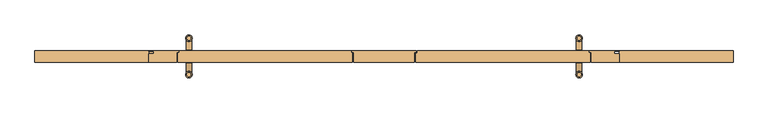
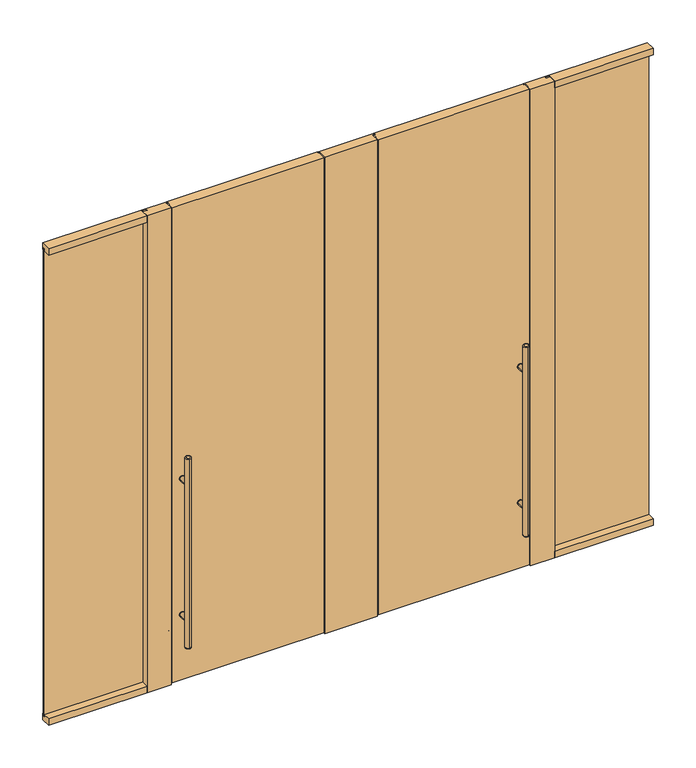
"""IFC4 building model written with IfcOpenShell, lengths in millimetres: door geometry."""

from ifc_helpers import new_model, si_unit, point, frame, frame_2d, origin, origin_with_axes, place, context, project, spatial, polyline, circle_curve, ellipse_curve, trimmed, segment, composite_curve, outline, extrude, faceted_brep, source, transform, mapped, element, save
from ifc_brep_helpers import plane_surface, cylinder_surface, revolved_surface, advanced_brep


def door_a71b5ffa(model_context):
    return source(origin(), model_context, "Body", "SolidModel", [
        extrude(outline(composite_curve([segment(trimmed(circle_curve(frame_2d((428.625, 1022.35)), 15.875), [point((428.625, 1038.225))], [point((428.625, 1006.475))], False, "CARTESIAN"), True, "CONTINUOUS"), segment(trimmed(circle_curve(frame_2d((428.625, 1022.35)), 15.875), [point((428.625, 1006.475))], [point((428.625, 1038.225))], False, "CARTESIAN"), True, "CONTINUOUS")], self_intersect=False)), frame((0.0, 30.1625, 0.0), z_axis=(0.0, 1.0, 0.0), x_axis=(0.0, 0.0, 1.0)), (0.0, 0.0, 1.0), 3.175),
        extrude(outline(composite_curve([segment(trimmed(circle_curve(frame_2d((1298.575, 1022.35)), 15.875), [point((1298.575, 1006.475))], [point((1298.575, 1038.225))], False, "CARTESIAN"), True, "CONTINUOUS"), segment(trimmed(circle_curve(frame_2d((1298.575, 1022.35)), 15.875), [point((1298.575, 1038.225))], [point((1298.575, 1006.475))], False, "CARTESIAN"), True, "CONTINUOUS")], self_intersect=False)), frame((0.0, 30.1625, 0.0), z_axis=(0.0, 1.0, 0.0), x_axis=(0.0, 0.0, 1.0)), (0.0, 0.0, 1.0), 3.175),
        extrude(outline(composite_curve([segment(trimmed(circle_curve(frame_2d((428.625, 1022.35)), 15.875), [point((428.625, 1038.225))], [point((428.625, 1006.475))], False, "CARTESIAN"), True, "CONTINUOUS"), segment(trimmed(circle_curve(frame_2d((428.625, 1022.35)), 15.875), [point((428.625, 1006.475))], [point((428.625, 1038.225))], False, "CARTESIAN"), True, "CONTINUOUS")], self_intersect=False)), frame((0.0, -33.3375, 0.0), z_axis=(0.0, 1.0, 0.0), x_axis=(0.0, 0.0, 1.0)), (0.0, 0.0, 1.0), 3.175),
        extrude(outline(composite_curve([segment(trimmed(circle_curve(frame_2d((1298.575, 1022.35)), 15.875), [point((1298.575, 1038.225))], [point((1298.575, 1006.475))], False, "CARTESIAN"), True, "CONTINUOUS"), segment(trimmed(circle_curve(frame_2d((1298.575, 1022.35)), 15.875), [point((1298.575, 1006.475))], [point((1298.575, 1038.225))], False, "CARTESIAN"), True, "CONTINUOUS")], self_intersect=False)), frame((0.0, -33.3375, 0.0), z_axis=(0.0, 1.0, 0.0), x_axis=(0.0, 0.0, 1.0)), (0.0, 0.0, 1.0), 3.175),
        extrude(outline(composite_curve([segment(trimmed(circle_curve(frame_2d((428.625, 1022.35)), 14.2875), [point((428.625, 1008.0625))], [point((428.625, 1036.6375))], False, "CARTESIAN"), True, "CONTINUOUS"), segment(trimmed(circle_curve(frame_2d((428.625, 1022.35)), 14.2875), [point((428.625, 1036.6375))], [point((428.625, 1008.0625))], False, "CARTESIAN"), True, "CONTINUOUS")], self_intersect=False)), frame((0.0, -95.25, 0.0), z_axis=(0.0, 1.0, 0.0), x_axis=(0.0, 0.0, 1.0)), (0.0, 0.0, 1.0), 65.0875),
        extrude(outline(composite_curve([segment(trimmed(circle_curve(frame_2d((1298.575, 1022.35)), 14.2875), [point((1298.575, 1008.0625))], [point((1298.575, 1036.6375))], False, "CARTESIAN"), True, "CONTINUOUS"), segment(trimmed(circle_curve(frame_2d((1298.575, 1022.35)), 14.2875), [point((1298.575, 1036.6375))], [point((1298.575, 1008.0625))], False, "CARTESIAN"), True, "CONTINUOUS")], self_intersect=False)), frame((0.0, -95.25, 0.0), z_axis=(0.0, 1.0, 0.0), x_axis=(0.0, 0.0, 1.0)), (0.0, 0.0, 1.0), 65.0875),
        advanced_brep(
        [(1022.35, 84.455, 1473.2), (1022.35, 106.045, 1473.2), (1022.35, 106.045, 254.0), (1022.35, 84.455, 254.0), (1022.35, 112.395, 260.35), (1022.35, 78.105, 260.35), (1022.35, 78.105, 1466.85), (1022.35, 112.395, 1466.85)],
        [
            (0, 1, circle_curve(frame((1022.35, 95.25, 1473.2), z_axis=(0.0, 0.0, 1.0), x_axis=(0.0, -1.0, 0.0)), 10.795)),
            (1, 0, circle_curve(frame((1022.35, 95.25, 1473.2), z_axis=(0.0, 0.0, 1.0), x_axis=(0.0, -1.0, 0.0)), 10.795)),
            (2, 3, circle_curve(frame((1022.35, 95.25, 254.0), z_axis=(0.0, 0.0, -1.0), x_axis=(0.0, -1.0, 0.0)), 10.795)),
            (3, 2, circle_curve(frame((1022.35, 95.25, 254.0), z_axis=(0.0, 0.0, -1.0), x_axis=(0.0, -1.0, 0.0)), 10.795)),
            (4, 5, circle_curve(frame((1022.35, 95.25, 260.35), z_axis=(0.0, 0.0, 1.0), x_axis=(0.0, -1.0, 0.0)), 17.145)),
            (5, 6),
            (6, 7, circle_curve(frame((1022.35, 95.25, 1466.85), z_axis=(0.0, 0.0, -1.0), x_axis=(0.0, -1.0, 0.0)), 17.145)),
            (7, 4),
            (5, 4, circle_curve(frame((1022.35, 95.25, 260.35), z_axis=(0.0, 0.0, 1.0), x_axis=(0.0, -1.0, 0.0)), 17.145)),
            (7, 6, circle_curve(frame((1022.35, 95.25, 1466.85), z_axis=(0.0, 0.0, -1.0), x_axis=(0.0, -1.0, 0.0)), 17.145)),
            (2, 4, circle_curve(frame((1022.35, 106.045, 260.35), z_axis=(1.0, 0.0, 0.0), x_axis=(0.0, 1.0, 0.0)), 6.35)),
            (5, 3, circle_curve(frame((1022.35, 84.455, 260.35), z_axis=(1.0, 0.0, 0.0), x_axis=(0.0, -1.0, 0.0)), 6.35)),
            (7, 1, circle_curve(frame((1022.35, 106.045, 1466.85), z_axis=(1.0, 0.0, 0.0), x_axis=(0.0, 1.0, 0.0)), 6.35)),
            (0, 6, circle_curve(frame((1022.35, 84.455, 1466.85), z_axis=(1.0, 0.0, 0.0), x_axis=(0.0, -1.0, 0.0)), 6.35)),
        ],
        [
            plane_surface(frame((1022.35, -112.395, 1473.2), z_axis=(0.0, 0.0, 1.0), x_axis=(1.0, 0.0, 0.0))),
            plane_surface(frame((1022.35, -112.395, 254.0), z_axis=(0.0, 0.0, -1.0), x_axis=(-1.0, 0.0, 0.0))),
            cylinder_surface(frame((1022.35, 95.25, 254.0), z_axis=(0.0, 0.0, 1.0), x_axis=(0.0, -1.0, 0.0)), 17.145),
            revolved_surface(trimmed(ellipse_curve(frame((1022.35, 84.455, 260.35), z_axis=(-1.0, 0.0, 0.0), x_axis=(0.0, -1.0, 0.0)), 6.35, 6.35), [point((1022.35, 84.455, 254.0))], [point((1022.35, 78.105, 260.35))], True, "CARTESIAN"), (1022.35, 95.25, 2082.8), (0.0, 0.0, 1.0)),
            revolved_surface(trimmed(ellipse_curve(frame((1022.35, 84.455, 1466.85), z_axis=(-1.0, 0.0, 0.0), x_axis=(0.0, -1.0, 0.0)), 6.35, 6.35), [point((1022.35, 78.105, 1466.85))], [point((1022.35, 84.455, 1473.2))], True, "CARTESIAN"), (1022.35, 95.25, -355.6), (0.0, 0.0, 1.0)),
        ],
        [
            (0, [[1, 2]]),
            (1, [[3, 4]]),
            (2, [[5, 6, 7, 8]]),
            (2, [[9, -8, 10, -6]]),
            (3, [[11, -9, 12, -3]]),
            (3, [[-11, -4, -12, -5]]),
            (4, [[13, -1, 14, -10]]),
            (4, [[-13, -7, -14, -2]]),
        ],
    ),
        advanced_brep(
        [(1022.35, -106.045, 1473.2), (1022.35, -84.455, 1473.2), (1022.35, -84.455, 254.0), (1022.35, -106.045, 254.0), (1022.35, -78.105, 260.35), (1022.35, -112.395, 260.35), (1022.35, -112.395, 1466.85), (1022.35, -78.105, 1466.85)],
        [
            (0, 1, circle_curve(frame((1022.35, -95.25, 1473.2), z_axis=(0.0, 0.0, 1.0), x_axis=(0.0, 1.0, 0.0)), 10.795)),
            (1, 0, circle_curve(frame((1022.35, -95.25, 1473.2), z_axis=(0.0, 0.0, 1.0), x_axis=(0.0, 1.0, 0.0)), 10.795)),
            (2, 3, circle_curve(frame((1022.35, -95.25, 254.0), z_axis=(0.0, 0.0, -1.0), x_axis=(0.0, 1.0, 0.0)), 10.795)),
            (3, 2, circle_curve(frame((1022.35, -95.25, 254.0), z_axis=(0.0, 0.0, -1.0), x_axis=(0.0, 1.0, 0.0)), 10.795)),
            (4, 5, circle_curve(frame((1022.35, -95.25, 260.35), z_axis=(0.0, 0.0, 1.0), x_axis=(0.0, -1.0, 0.0)), 17.145)),
            (5, 6),
            (6, 7, circle_curve(frame((1022.35, -95.25, 1466.85), z_axis=(0.0, 0.0, -1.0), x_axis=(0.0, -1.0, 0.0)), 17.145)),
            (7, 4),
            (5, 4, circle_curve(frame((1022.35, -95.25, 260.35), z_axis=(0.0, 0.0, 1.0), x_axis=(0.0, -1.0, 0.0)), 17.145)),
            (7, 6, circle_curve(frame((1022.35, -95.25, 1466.85), z_axis=(0.0, 0.0, -1.0), x_axis=(0.0, -1.0, 0.0)), 17.145)),
            (5, 3, circle_curve(frame((1022.35, -106.045, 260.35), z_axis=(1.0, 0.0, 0.0), x_axis=(0.0, -1.0, 0.0)), 6.35)),
            (2, 4, circle_curve(frame((1022.35, -84.455, 260.35), z_axis=(1.0, 0.0, 0.0), x_axis=(0.0, 1.0, 0.0)), 6.35)),
            (0, 6, circle_curve(frame((1022.35, -106.045, 1466.85), z_axis=(1.0, 0.0, 0.0), x_axis=(0.0, -1.0, 0.0)), 6.35)),
            (7, 1, circle_curve(frame((1022.35, -84.455, 1466.85), z_axis=(1.0, 0.0, 0.0), x_axis=(0.0, 1.0, 0.0)), 6.35)),
        ],
        [
            plane_surface(frame((1022.35, -112.395, 1473.2), z_axis=(0.0, 0.0, 1.0), x_axis=(1.0, 0.0, 0.0))),
            plane_surface(frame((1022.35, -112.395, 254.0), z_axis=(0.0, 0.0, -1.0), x_axis=(-1.0, 0.0, 0.0))),
            cylinder_surface(frame((1022.35, -95.25, 254.0), z_axis=(0.0, 0.0, 1.0), x_axis=(0.0, -1.0, 0.0)), 17.145),
            revolved_surface(trimmed(ellipse_curve(frame((1022.35, -84.455, 260.35), z_axis=(-1.0, 0.0, 0.0), x_axis=(0.0, 1.0, 0.0)), 6.35, 6.35), [point((1022.35, -78.105, 260.35))], [point((1022.35, -84.455, 254.0))], True, "CARTESIAN"), (1022.35, -95.25, 2082.8), (0.0, 0.0, -1.0)),
            revolved_surface(trimmed(ellipse_curve(frame((1022.35, -84.455, 1466.85), z_axis=(-1.0, 0.0, 0.0), x_axis=(0.0, 1.0, 0.0)), 6.35, 6.35), [point((1022.35, -84.455, 1473.2))], [point((1022.35, -78.105, 1466.85))], True, "CARTESIAN"), (1022.35, -95.25, -355.6), (0.0, 0.0, -1.0)),
        ],
        [
            (0, [[1, 2]]),
            (1, [[3, 4]]),
            (2, [[5, 6, 7, 8]]),
            (2, [[9, -8, 10, -6]]),
            (3, [[11, -3, 12, -9]]),
            (3, [[-11, -5, -12, -4]]),
            (4, [[13, -10, 14, -1]]),
            (4, [[-13, -2, -14, -7]]),
        ],
    ),
        extrude(outline(composite_curve([segment(trimmed(circle_curve(frame_2d((428.625, 1022.35)), 14.2875), [point((428.625, 1008.0625))], [point((428.625, 1036.6375))], False, "CARTESIAN"), True, "CONTINUOUS"), segment(trimmed(circle_curve(frame_2d((428.625, 1022.35)), 14.2875), [point((428.625, 1036.6375))], [point((428.625, 1008.0625))], False, "CARTESIAN"), True, "CONTINUOUS")], self_intersect=False)), frame((0.0, 30.1625, 0.0), z_axis=(0.0, 1.0, 0.0), x_axis=(0.0, 0.0, 1.0)), (0.0, 0.0, 1.0), 65.0875),
        extrude(outline(composite_curve([segment(trimmed(circle_curve(frame_2d((1298.575, 1022.35)), 14.2875), [point((1298.575, 1008.0625))], [point((1298.575, 1036.6375))], False, "CARTESIAN"), True, "CONTINUOUS"), segment(trimmed(circle_curve(frame_2d((1298.575, 1022.35)), 14.2875), [point((1298.575, 1036.6375))], [point((1298.575, 1008.0625))], False, "CARTESIAN"), True, "CONTINUOUS")], self_intersect=False)), frame((0.0, 30.1625, 0.0), z_axis=(0.0, 1.0, 0.0), x_axis=(0.0, 0.0, 1.0)), (0.0, 0.0, 1.0), 65.0875),
        extrude(outline(composite_curve([segment(trimmed(circle_curve(frame_2d((428.625, -1022.35)), 15.875), [point((428.625, -1038.225))], [point((428.625, -1006.475))], False, "CARTESIAN"), True, "CONTINUOUS"), segment(trimmed(circle_curve(frame_2d((428.625, -1022.35)), 15.875), [point((428.625, -1006.475))], [point((428.625, -1038.225))], False, "CARTESIAN"), True, "CONTINUOUS")], self_intersect=False)), frame((0.0, 30.1625, 0.0), z_axis=(0.0, 1.0, 0.0), x_axis=(0.0, 0.0, 1.0)), (0.0, 0.0, 1.0), 3.175),
        extrude(outline(composite_curve([segment(trimmed(circle_curve(frame_2d((1298.575, -1022.35)), 15.875), [point((1298.575, -1006.475))], [point((1298.575, -1038.225))], False, "CARTESIAN"), True, "CONTINUOUS"), segment(trimmed(circle_curve(frame_2d((1298.575, -1022.35)), 15.875), [point((1298.575, -1038.225))], [point((1298.575, -1006.475))], False, "CARTESIAN"), True, "CONTINUOUS")], self_intersect=False)), frame((0.0, 30.1625, 0.0), z_axis=(0.0, 1.0, 0.0), x_axis=(0.0, 0.0, 1.0)), (0.0, 0.0, 1.0), 3.175),
        extrude(outline(composite_curve([segment(trimmed(circle_curve(frame_2d((428.625, -1022.35)), 15.875), [point((428.625, -1038.225))], [point((428.625, -1006.475))], False, "CARTESIAN"), True, "CONTINUOUS"), segment(trimmed(circle_curve(frame_2d((428.625, -1022.35)), 15.875), [point((428.625, -1006.475))], [point((428.625, -1038.225))], False, "CARTESIAN"), True, "CONTINUOUS")], self_intersect=False)), frame((0.0, -33.3375, 0.0), z_axis=(0.0, 1.0, 0.0), x_axis=(0.0, 0.0, 1.0)), (0.0, 0.0, 1.0), 3.175),
        extrude(outline(composite_curve([segment(trimmed(circle_curve(frame_2d((1298.575, -1022.35)), 15.875), [point((1298.575, -1038.225))], [point((1298.575, -1006.475))], False, "CARTESIAN"), True, "CONTINUOUS"), segment(trimmed(circle_curve(frame_2d((1298.575, -1022.35)), 15.875), [point((1298.575, -1006.475))], [point((1298.575, -1038.225))], False, "CARTESIAN"), True, "CONTINUOUS")], self_intersect=False)), frame((0.0, -33.3375, 0.0), z_axis=(0.0, 1.0, 0.0), x_axis=(0.0, 0.0, 1.0)), (0.0, 0.0, 1.0), 3.175),
        extrude(outline(composite_curve([segment(trimmed(circle_curve(frame_2d((428.625, -1022.35)), 14.2875), [point((428.625, -1008.0625))], [point((428.625, -1036.6375))], False, "CARTESIAN"), True, "CONTINUOUS"), segment(trimmed(circle_curve(frame_2d((428.625, -1022.35)), 14.2875), [point((428.625, -1036.6375))], [point((428.625, -1008.0625))], False, "CARTESIAN"), True, "CONTINUOUS")], self_intersect=False)), frame((0.0, -95.25, 0.0), z_axis=(0.0, 1.0, 0.0), x_axis=(0.0, 0.0, 1.0)), (0.0, 0.0, 1.0), 65.0875),
        extrude(outline(composite_curve([segment(trimmed(circle_curve(frame_2d((1298.575, -1022.35)), 14.2875), [point((1298.575, -1008.0625))], [point((1298.575, -1036.6375))], False, "CARTESIAN"), True, "CONTINUOUS"), segment(trimmed(circle_curve(frame_2d((1298.575, -1022.35)), 14.2875), [point((1298.575, -1036.6375))], [point((1298.575, -1008.0625))], False, "CARTESIAN"), True, "CONTINUOUS")], self_intersect=False)), frame((0.0, -95.25, 0.0), z_axis=(0.0, 1.0, 0.0), x_axis=(0.0, 0.0, 1.0)), (0.0, 0.0, 1.0), 65.0875),
        advanced_brep(
        [(-1022.35, 84.455, 1473.2), (-1022.35, 106.045, 1473.2), (-1022.35, 106.045, 254.0), (-1022.35, 84.455, 254.0), (-1022.35, 112.395, 260.35), (-1022.35, 112.395, 1466.85), (-1022.35, 78.105, 1466.85), (-1022.35, 78.105, 260.35)],
        [
            (0, 1, circle_curve(frame((-1022.35, 95.25, 1473.2), z_axis=(0.0, 0.0, 1.0), x_axis=(0.0, -1.0, 0.0)), 10.795)),
            (1, 0, circle_curve(frame((-1022.35, 95.25, 1473.2), z_axis=(0.0, 0.0, 1.0), x_axis=(0.0, -1.0, 0.0)), 10.795)),
            (2, 3, circle_curve(frame((-1022.35, 95.25, 254.0), z_axis=(0.0, 0.0, -1.0), x_axis=(0.0, -1.0, 0.0)), 10.795)),
            (3, 2, circle_curve(frame((-1022.35, 95.25, 254.0), z_axis=(0.0, 0.0, -1.0), x_axis=(0.0, -1.0, 0.0)), 10.795)),
            (4, 5),
            (5, 6, circle_curve(frame((-1022.35, 95.25, 1466.85), z_axis=(0.0, 0.0, -1.0), x_axis=(0.0, -1.0, 0.0)), 17.145)),
            (6, 7),
            (7, 4, circle_curve(frame((-1022.35, 95.25, 260.35), z_axis=(0.0, 0.0, 1.0), x_axis=(0.0, -1.0, 0.0)), 17.145)),
            (6, 5, circle_curve(frame((-1022.35, 95.25, 1466.85), z_axis=(0.0, 0.0, -1.0), x_axis=(0.0, -1.0, 0.0)), 17.145)),
            (4, 7, circle_curve(frame((-1022.35, 95.25, 260.35), z_axis=(0.0, 0.0, 1.0), x_axis=(0.0, -1.0, 0.0)), 17.145)),
            (3, 7, circle_curve(frame((-1022.35, 84.455, 260.35), z_axis=(-1.0, 0.0, 0.0), x_axis=(0.0, -1.0, 0.0)), 6.35)),
            (4, 2, circle_curve(frame((-1022.35, 106.045, 260.35), z_axis=(-1.0, 0.0, 0.0), x_axis=(0.0, 1.0, 0.0)), 6.35)),
            (6, 0, circle_curve(frame((-1022.35, 84.455, 1466.85), z_axis=(-1.0, 0.0, 0.0), x_axis=(0.0, -1.0, 0.0)), 6.35)),
            (1, 5, circle_curve(frame((-1022.35, 106.045, 1466.85), z_axis=(-1.0, 0.0, 0.0), x_axis=(0.0, 1.0, 0.0)), 6.35)),
        ],
        [
            plane_surface(frame((-1022.35, -112.395, 1473.2), z_axis=(0.0, 0.0, 1.0), x_axis=(-1.0, 0.0, 0.0))),
            plane_surface(frame((-1022.35, -112.395, 254.0), z_axis=(0.0, 0.0, -1.0), x_axis=(1.0, 0.0, 0.0))),
            cylinder_surface(frame((-1022.35, 95.25, 254.0), z_axis=(0.0, 0.0, 1.0), x_axis=(0.0, -1.0, 0.0)), 17.145),
            revolved_surface(trimmed(ellipse_curve(frame((-1022.35, 84.455, 260.35), z_axis=(-1.0, 0.0, 0.0), x_axis=(0.0, -1.0, 0.0)), 6.35, 6.35), [point((-1022.35, 84.455, 254.0))], [point((-1022.35, 78.105, 260.35))], True, "CARTESIAN"), (-1022.35, 95.25, 2082.8), (0.0, 0.0, 1.0)),
            revolved_surface(trimmed(ellipse_curve(frame((-1022.35, 84.455, 1466.85), z_axis=(-1.0, 0.0, 0.0), x_axis=(0.0, -1.0, 0.0)), 6.35, 6.35), [point((-1022.35, 78.105, 1466.85))], [point((-1022.35, 84.455, 1473.2))], True, "CARTESIAN"), (-1022.35, 95.25, -355.6), (0.0, 0.0, 1.0)),
        ],
        [
            (0, [[1, 2]]),
            (1, [[3, 4]]),
            (2, [[5, 6, 7, 8]]),
            (2, [[-7, 9, -5, 10]]),
            (3, [[-4, 11, -10, 12]]),
            (3, [[-8, -11, -3, -12]]),
            (4, [[-9, 13, -2, 14]]),
            (4, [[-1, -13, -6, -14]]),
        ],
    ),
        advanced_brep(
        [(-1022.35, -106.045, 1473.2), (-1022.35, -84.455, 1473.2), (-1022.35, -84.455, 254.0), (-1022.35, -106.045, 254.0), (-1022.35, -78.105, 260.35), (-1022.35, -78.105, 1466.85), (-1022.35, -112.395, 1466.85), (-1022.35, -112.395, 260.35)],
        [
            (0, 1, circle_curve(frame((-1022.35, -95.25, 1473.2), z_axis=(0.0, 0.0, 1.0), x_axis=(0.0, 1.0, 0.0)), 10.795)),
            (1, 0, circle_curve(frame((-1022.35, -95.25, 1473.2), z_axis=(0.0, 0.0, 1.0), x_axis=(0.0, 1.0, 0.0)), 10.795)),
            (2, 3, circle_curve(frame((-1022.35, -95.25, 254.0), z_axis=(0.0, 0.0, -1.0), x_axis=(0.0, 1.0, 0.0)), 10.795)),
            (3, 2, circle_curve(frame((-1022.35, -95.25, 254.0), z_axis=(0.0, 0.0, -1.0), x_axis=(0.0, 1.0, 0.0)), 10.795)),
            (4, 5),
            (5, 6, circle_curve(frame((-1022.35, -95.25, 1466.85), z_axis=(0.0, 0.0, -1.0), x_axis=(0.0, -1.0, 0.0)), 17.145)),
            (6, 7),
            (7, 4, circle_curve(frame((-1022.35, -95.25, 260.35), z_axis=(0.0, 0.0, 1.0), x_axis=(0.0, -1.0, 0.0)), 17.145)),
            (6, 5, circle_curve(frame((-1022.35, -95.25, 1466.85), z_axis=(0.0, 0.0, -1.0), x_axis=(0.0, -1.0, 0.0)), 17.145)),
            (4, 7, circle_curve(frame((-1022.35, -95.25, 260.35), z_axis=(0.0, 0.0, 1.0), x_axis=(0.0, -1.0, 0.0)), 17.145)),
            (4, 2, circle_curve(frame((-1022.35, -84.455, 260.35), z_axis=(-1.0, 0.0, 0.0), x_axis=(0.0, 1.0, 0.0)), 6.35)),
            (3, 7, circle_curve(frame((-1022.35, -106.045, 260.35), z_axis=(-1.0, 0.0, 0.0), x_axis=(0.0, -1.0, 0.0)), 6.35)),
            (1, 5, circle_curve(frame((-1022.35, -84.455, 1466.85), z_axis=(-1.0, 0.0, 0.0), x_axis=(0.0, 1.0, 0.0)), 6.35)),
            (6, 0, circle_curve(frame((-1022.35, -106.045, 1466.85), z_axis=(-1.0, 0.0, 0.0), x_axis=(0.0, -1.0, 0.0)), 6.35)),
        ],
        [
            plane_surface(frame((-1022.35, -112.395, 1473.2), z_axis=(0.0, 0.0, 1.0), x_axis=(-1.0, 0.0, 0.0))),
            plane_surface(frame((-1022.35, -112.395, 254.0), z_axis=(0.0, 0.0, -1.0), x_axis=(1.0, 0.0, 0.0))),
            cylinder_surface(frame((-1022.35, -95.25, 254.0), z_axis=(0.0, 0.0, 1.0), x_axis=(0.0, -1.0, 0.0)), 17.145),
            revolved_surface(trimmed(ellipse_curve(frame((-1022.35, -84.455, 260.35), z_axis=(-1.0, 0.0, 0.0), x_axis=(0.0, 1.0, 0.0)), 6.35, 6.35), [point((-1022.35, -78.105, 260.35))], [point((-1022.35, -84.455, 254.0))], True, "CARTESIAN"), (-1022.35, -95.25, 2082.8), (0.0, 0.0, -1.0)),
            revolved_surface(trimmed(ellipse_curve(frame((-1022.35, -84.455, 1466.85), z_axis=(-1.0, 0.0, 0.0), x_axis=(0.0, 1.0, 0.0)), 6.35, 6.35), [point((-1022.35, -84.455, 1473.2))], [point((-1022.35, -78.105, 1466.85))], True, "CARTESIAN"), (-1022.35, -95.25, -355.6), (0.0, 0.0, -1.0)),
        ],
        [
            (0, [[1, 2]]),
            (1, [[3, 4]]),
            (2, [[5, 6, 7, 8]]),
            (2, [[-7, 9, -5, 10]]),
            (3, [[-10, 11, -4, 12]]),
            (3, [[-3, -11, -8, -12]]),
            (4, [[-2, 13, -9, 14]]),
            (4, [[-6, -13, -1, -14]]),
        ],
    ),
        extrude(outline(composite_curve([segment(trimmed(circle_curve(frame_2d((428.625, -1022.35)), 14.2875), [point((428.625, -1008.0625))], [point((428.625, -1036.6375))], False, "CARTESIAN"), True, "CONTINUOUS"), segment(trimmed(circle_curve(frame_2d((428.625, -1022.35)), 14.2875), [point((428.625, -1036.6375))], [point((428.625, -1008.0625))], False, "CARTESIAN"), True, "CONTINUOUS")], self_intersect=False)), frame((0.0, 30.1625, 0.0), z_axis=(0.0, 1.0, 0.0), x_axis=(0.0, 0.0, 1.0)), (0.0, 0.0, 1.0), 65.0875),
        extrude(outline(composite_curve([segment(trimmed(circle_curve(frame_2d((1298.575, -1022.35)), 14.2875), [point((1298.575, -1008.0625))], [point((1298.575, -1036.6375))], False, "CARTESIAN"), True, "CONTINUOUS"), segment(trimmed(circle_curve(frame_2d((1298.575, -1022.35)), 14.2875), [point((1298.575, -1036.6375))], [point((1298.575, -1008.0625))], False, "CARTESIAN"), True, "CONTINUOUS")], self_intersect=False)), frame((0.0, 30.1625, 0.0), z_axis=(0.0, 1.0, 0.0), x_axis=(0.0, 0.0, 1.0)), (0.0, 0.0, 1.0), 65.0875),
        faceted_brep([(1231.9, 14.2875, 0.0), (1231.9, -30.1625, 0.0), (1085.85, -30.1625, 0.0), (1085.85, 20.6375, 0.0), (1076.325, 20.6375, 0.0), (1076.325, 30.1625, 0.0), (1231.9, 30.1625, 0.0), (1231.9, 26.9875, 0.0), (1206.5, 26.9875, 0.0), (1206.5, 14.2875, 0.0), (1231.9, 14.2875, 3048.0), (1206.5, 14.2875, 3048.0), (1206.5, 26.9875, 3048.0), (1231.9, 26.9875, 3048.0), (1231.9, 30.1625, 3048.0), (1076.325, 30.1625, 3006.725), (1079.5, 30.1625, 3006.725), (1079.5, 30.1625, 3009.9), (1076.325, 30.1625, 3009.9), (1076.325, 30.1625, 3048.0), (1076.325, 20.6375, 3006.725), (1076.325, 20.6375, 3009.9), (1076.325, 20.6375, 3048.0), (1079.5, 20.6375, 3009.9), (1079.5, 20.6375, 3006.725), (1085.85, 20.6375, 3048.0), (1085.85, -30.1625, 3048.0), (1231.9, -30.1625, 3048.0)], [[[0, 1, 2, 3, 4, 5, 6, 7, 8, 9]], [[10, 0, 9, 11]], [[11, 9, 8, 12]], [[12, 8, 7, 13]], [[13, 7, 6, 14]], [[14, 6, 5, 15, 16, 17, 18, 19]], [[4, 20, 15, 5]], [[19, 18, 21, 22]], [[22, 21, 23, 24, 20, 4, 3, 25]], [[25, 3, 2, 26]], [[26, 2, 1, 27]], [[27, 1, 0, 10]], [[10, 11, 12, 13, 14, 19, 22, 25, 26, 27]], [[23, 21, 18, 17]], [[24, 23, 17, 16]], [[16, 15, 20, 24]]]),
        faceted_brep([(1079.5, -30.1625, 9.525), (1079.5, -30.1625, 3048.0), (165.1, -30.1625, 3048.0), (165.1, -30.1625, 9.525), (174.625, 30.1625, 9.525), (1069.975, 30.1625, 9.525), (1069.975, 17.4625, 9.525), (1079.5, 17.4625, 9.525), (165.1, 17.4625, 9.525), (174.625, 17.4625, 9.525), (165.1, 17.4625, 3006.725), (174.625, 17.4625, 3006.725), (174.625, 17.4625, 3048.0), (174.625, 17.4625, 3019.425), (165.1, 17.4625, 3019.425), (165.1, 17.4625, 3048.0), (1079.5, 30.1625, 3048.0), (1079.5, 17.4625, 3006.725), (1079.5, 14.2875, 3006.725), (1079.5, 14.2875, 3019.425), (1079.5, 17.4625, 3019.425), (1079.5, 17.4625, 3009.9), (1079.5, 30.1625, 3009.9), (1069.975, 17.4625, 3006.725), (174.625, 30.1625, 3006.725), (1069.975, 30.1625, 3006.725), (174.625, 30.1625, 3009.9), (174.625, 30.1625, 3048.0), (174.625, 17.4625, 3009.9), (165.1, 14.2875, 3006.725), (165.1, 14.2875, 3019.425)], [[[0, 1, 2, 3]], [[4, 5, 6, 7, 0, 3, 8, 9]], [[8, 10, 11, 9]], [[12, 13, 14, 15]], [[16, 1, 0, 7, 17, 18, 19, 20, 21, 22]], [[6, 23, 17, 7]], [[4, 24, 25, 5]], [[26, 27, 16, 22]], [[5, 25, 23, 6]], [[9, 11, 24, 4]], [[27, 26, 28, 13, 12]], [[21, 28, 26, 22]], [[2, 1, 16, 27, 12, 15]], [[18, 17, 23, 25, 24, 11, 10, 29]], [[29, 30, 19, 18]], [[30, 14, 13, 20, 19]], [[21, 20, 13, 28]], [[15, 14, 30, 29, 10, 8, 3, 2]]]),
        faceted_brep([(-168.275, 30.1625, 0.0), (168.275, 30.1625, 0.0), (168.275, 20.6375, 0.0), (158.75, 20.6375, 0.0), (158.75, -30.1625, 0.0), (-158.75, -30.1625, 0.0), (-158.75, 20.6375, 0.0), (-168.275, 20.6375, 0.0), (-168.275, 30.1625, 3048.0), (-168.275, 20.6375, 3048.0), (-158.75, 20.6375, 3048.0), (-158.75, -30.1625, 3048.0), (158.75, -30.1625, 3048.0), (158.75, 20.6375, 3048.0), (168.275, 20.6375, 3006.725), (165.1, 20.6375, 3006.725), (165.1, 20.6375, 3009.9), (168.275, 20.6375, 3009.9), (168.275, 20.6375, 3048.0), (168.275, 30.1625, 3006.725), (168.275, 30.1625, 3009.9), (168.275, 30.1625, 3048.0), (165.1, 30.1625, 3009.9), (165.1, 30.1625, 3006.725)], [[[0, 1, 2, 3, 4, 5, 6, 7]], [[8, 0, 7, 9]], [[9, 7, 6, 10]], [[10, 6, 5, 11]], [[11, 5, 4, 12]], [[12, 4, 3, 13]], [[13, 3, 2, 14, 15, 16, 17, 18]], [[1, 19, 14, 2]], [[18, 17, 20, 21]], [[21, 20, 22, 23, 19, 1, 0, 8]], [[8, 9, 10, 11, 12, 13, 18, 21]], [[15, 14, 19, 23]], [[16, 15, 23, 22]], [[22, 20, 17, 16]]]),
        extrude(outline(polyline([(-1231.9, 14.2875), (-1206.5, 14.2875), (-1206.5, 26.9875), (-1231.9, 26.9875), (-1231.9, 30.1625), (-1076.325, 30.1625), (-1076.325, 20.6375), (-1085.85, 20.6375), (-1085.85, -30.1625), (-1231.9, -30.1625), (-1231.9, 14.2875)])), origin_with_axes(), (0.0, 0.0, 1.0), 3048.0),
        faceted_brep([(-165.1, -30.1625, 3048.0), (-165.1, -30.1625, 9.525), (-165.1, 17.4625, 9.525), (-165.1, 17.4625, 3009.9), (-165.1, 30.1625, 3009.9), (-165.1, 30.1625, 3048.0), (-174.625, 17.4625, 9.525), (-174.625, 17.4625, 3006.725), (-174.625, 17.4625, 3009.9), (-174.625, 30.1625, 9.525), (-1079.5, -30.1625, 9.525), (-1079.5, 17.4625, 9.525), (-1069.975, 17.4625, 9.525), (-1069.975, 30.1625, 9.525), (-1079.5, -30.1625, 3048.0), (-1079.5, 17.4625, 3009.9), (-1079.5, 17.4625, 3019.425), (-1079.5, 14.2875, 3019.425), (-1079.5, 14.2875, 3006.725), (-1079.5, 17.4625, 3006.725), (-1079.5, 30.1625, 3048.0), (-1079.5, 30.1625, 3009.9), (-1069.975, 17.4625, 3006.725), (-1069.975, 30.1625, 3006.725), (-174.625, 30.1625, 3006.725), (-174.625, 17.4625, 3019.425), (-174.625, 14.2875, 3019.425), (-174.625, 14.2875, 3006.725)], [[[0, 1, 2, 3, 4, 5]], [[6, 7, 8, 3, 2]], [[9, 6, 2, 1, 10, 11, 12, 13]], [[14, 10, 1, 0]], [[15, 16, 17, 18, 19, 11, 10, 14, 20, 21]], [[11, 19, 22, 12]], [[13, 23, 24, 9]], [[21, 20, 5, 4]], [[9, 24, 7, 6]], [[12, 22, 23, 13]], [[5, 20, 14, 0]], [[3, 8, 15, 21, 4]], [[25, 16, 15, 8]], [[26, 17, 16, 25]], [[27, 18, 17, 26]], [[27, 7, 24, 23, 22, 19, 18]], [[25, 8, 7, 27, 26]]]),
        extrude(outline(polyline([(-1828.8, 14.2875), (-1828.8, 26.9875), (-1206.5, 26.9875), (-1206.5, 14.2875), (-1828.8, 14.2875)])), frame((0.0, 0.0, 28.575), z_axis=(0.0, 0.0, 1.0), x_axis=(1.0, 0.0, 0.0)), (0.0, 0.0, 1.0), 2990.85),
        extrude(outline(polyline([(1828.8, 14.2875), (1231.9, 14.2875), (1231.9, 26.9875), (1828.8, 26.9875), (1828.8, 14.2875)])), origin_with_axes(), (0.0, 0.0, 1.0), 3019.425),
        extrude(outline(polyline([(-30.1625, 3048.0), (30.1625, 3048.0), (30.1625, 3006.725), (26.9875, 3006.725), (26.9875, 3019.425), (14.2875, 3019.425), (14.2875, 3006.725), (-30.1625, 3006.725), (-30.1625, 3048.0)])), frame((-1828.8, 0.0, 0.0), z_axis=(1.0, 0.0, 0.0), x_axis=(0.0, 1.0, 0.0)), (0.0, 0.0, 1.0), 596.9),
        extrude(outline(polyline([(-30.1625, 3048.0), (30.1625, 3048.0), (30.1625, 3006.725), (26.9875, 3006.725), (26.9875, 3019.425), (14.2875, 3019.425), (14.2875, 3006.725), (-30.1625, 3006.725), (-30.1625, 3048.0)])), frame((1231.9, 0.0, 0.0), z_axis=(1.0, 0.0, 0.0), x_axis=(0.0, 1.0, 0.0)), (0.0, 0.0, 1.0), 596.9),
        extrude(outline(polyline([(-30.1625, 0.0), (-30.1625, 41.275), (14.2875, 41.275), (14.2875, 28.575), (26.9875, 28.575), (26.9875, 41.275), (30.1625, 41.275), (30.1625, 0.0), (-30.1625, 0.0)])), frame((-1828.8, 0.0, 0.0), z_axis=(1.0, 0.0, 0.0), x_axis=(0.0, 1.0, 0.0)), (0.0, 0.0, 1.0), 596.9),
        extrude(outline(polyline([(-30.1625, 0.0), (-30.1625, 41.275), (14.2875, 41.275), (14.2875, 28.575), (26.9875, 28.575), (26.9875, 41.275), (30.1625, 41.275), (30.1625, 0.0), (-30.1625, 0.0)])), frame((1231.9, 0.0, 0.0), z_axis=(1.0, 0.0, 0.0), x_axis=(0.0, 1.0, 0.0)), (0.0, 0.0, 1.0), 596.9),
    ])


if __name__ == "__main__":
    model = new_model("IFC4")
    model_context = context("Model", 3, world=origin())
    ifc_project = project(units=[si_unit("LENGTHUNIT", "METRE", prefix="MILLI")], contexts=[model_context])
    site = spatial("IfcSite", under=ifc_project)
    building = spatial("IfcBuilding", under=site)
    placement = place(None, origin())
    door_shape = door_a71b5ffa(model_context)
    element("IfcDoor", 1, at=placement, inside=building, context=model_context, shape_type="MappedRepresentation", body=[
        mapped(door_shape, transform((0.0, 0.0, 0.0), x_axis=(1.0, 0.0, 0.0), y_axis=(0.0, 1.0, 0.0), z_axis=(0.0, 0.0, 1.0))),
    ])
    save(model, "model.ifc")
